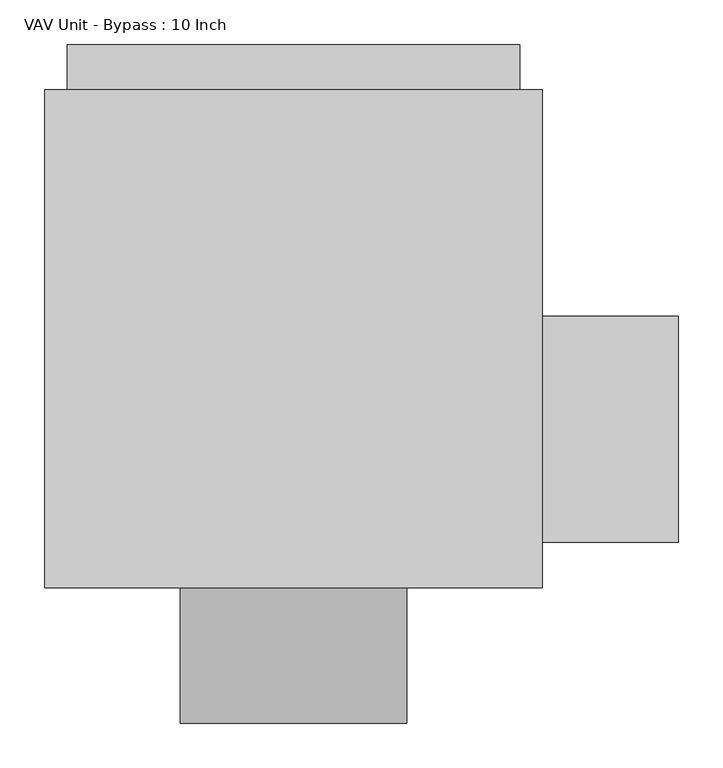
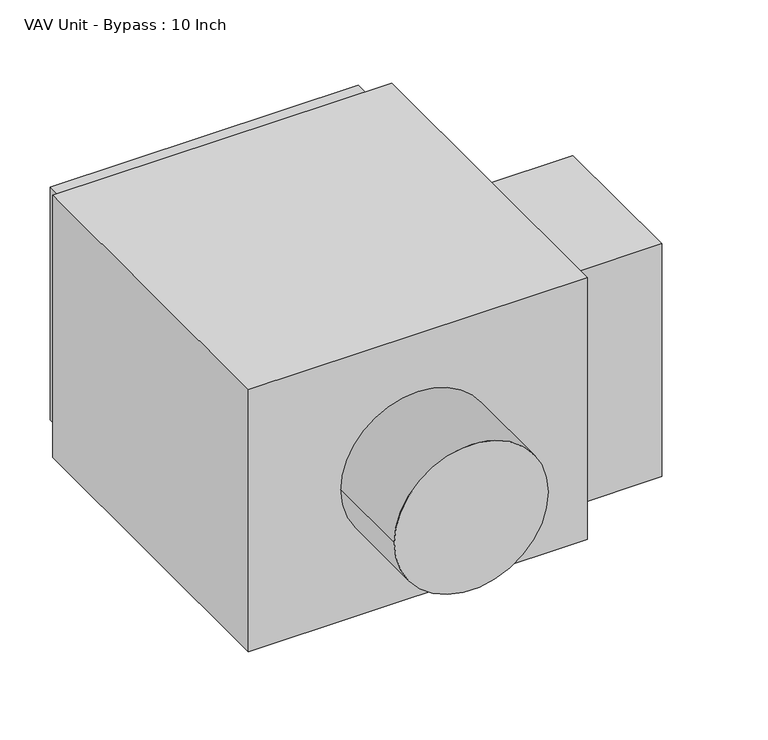
"""IFC4 building model written with IfcOpenShell, lengths in millimetres: proxy geometry, VAV Unit - Bypass : 10 Inch."""

from ifc_helpers import new_model, si_unit, point, frame, origin, origin_2d, place, context, project, spatial, polyline, circle_curve, trimmed, segment, composite_curve, outline, extrude, source, transform, mapped, element, save


def vav_unit_bypass_10_inch_54cb6b87(model_context):
    return source(origin(), model_context, "Body", "SweptSolid", [
        extrude(outline(polyline([(431.8, -228.6), (279.4, -228.6), (279.4, 25.4), (431.8, 25.4), (431.8, -228.6)])), frame((0.0, 0.0, -203.2), z_axis=(0.0, 0.0, 1.0), x_axis=(1.0, 0.0, 0.0)), (0.0, 0.0, 1.0), 406.4),
        extrude(outline(composite_curve([segment(trimmed(circle_curve(origin_2d(), 127.0), [point((0.0, -127.0))], [point((0.0, 127.0))], False, "CARTESIAN"), True, "CONTINUOUS"), segment(trimmed(circle_curve(origin_2d(), 127.0), [point((0.0, 127.0))], [point((0.0, -127.0))], False, "CARTESIAN"), True, "CONTINUOUS")], self_intersect=False)), frame((0.0, -431.8, 0.0), z_axis=(0.0, 1.0, 0.0), x_axis=(0.0, 0.0, 1.0)), (0.0, 0.0, 1.0), 152.4),
        extrude(outline(polyline([(254.0, 330.2), (254.0, 279.4), (-254.0, 279.4), (-254.0, 330.2), (254.0, 330.2)])), frame((0.0, 0.0, -203.2), z_axis=(0.0, 0.0, 1.0), x_axis=(1.0, 0.0, 0.0)), (0.0, 0.0, 1.0), 406.4),
        extrude(outline(polyline([(279.4, 279.4), (279.4, -279.4), (-279.4, -279.4), (-279.4, 279.4), (279.4, 279.4)])), frame((0.0, 0.0, -228.6), z_axis=(0.0, 0.0, 1.0), x_axis=(1.0, 0.0, 0.0)), (0.0, 0.0, 1.0), 457.2),
    ])


if __name__ == "__main__":
    model = new_model("IFC4")
    model_context = context("Model", 3, world=origin())
    ifc_project = project(units=[si_unit("LENGTHUNIT", "METRE", prefix="MILLI")], contexts=[model_context])
    site = spatial("IfcSite", under=ifc_project)
    building = spatial("IfcBuilding", under=site)
    placement = place(None, origin())
    vav_unit_bypass_10_inch_shape = vav_unit_bypass_10_inch_54cb6b87(model_context)
    element("IfcBuildingElementProxy", 1, Name="VAV Unit - Bypass : 10 Inch", ObjectType="VAV Unit - Bypass : 10 Inch", at=placement, inside=building, context=model_context, shape_type="MappedRepresentation", body=[
        mapped(vav_unit_bypass_10_inch_shape, transform((0.0, 0.0, 0.0), x_axis=(1.0, 0.0, 0.0), y_axis=(0.0, 1.0, 0.0), z_axis=(0.0, 0.0, 1.0))),
    ])
    save(model, "model.ifc")
